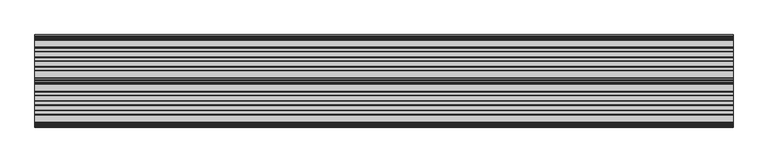
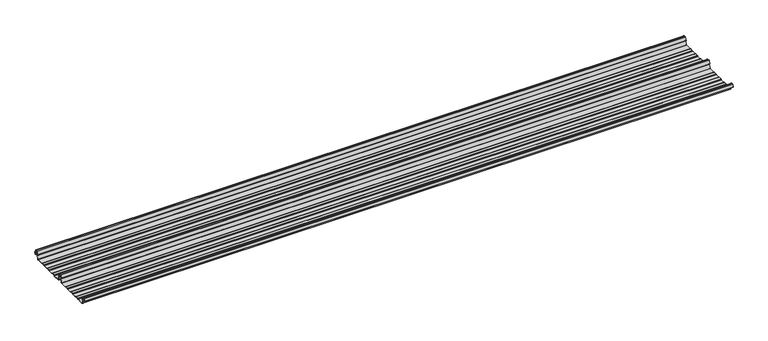
"""IFC4 building model written with IfcOpenShell, lengths in millimetres: beam geometry."""

from ifc_helpers import new_model, si_unit, point, frame, frame_2d, origin, place, context, project, spatial, polyline, circle_curve, trimmed, segment, composite_curve, outline, extrude, source, transform, mapped, element, save


def beam_9e3f758d(model_context):
    return source(origin(), model_context, "Body", "SweptSolid", [
        extrude(outline(composite_curve([segment(trimmed(circle_curve(frame_2d((-231.1362436, -24.0396475)), 1.75), [point((-231.1362436, -25.7896475))], [point((-232.7807057, -24.6381827))], False, "CARTESIAN"), True, "CONTINUOUS"), segment(polyline([(-232.7807057, -24.6381827), (-241.6888002, -2.1633943)]), True, "CONTINUOUS"), segment(trimmed(circle_curve(frame_2d((-240.0443381, -1.5648591)), 1.75), [point((-241.6888002, -2.1633943))], [point((-240.4972714, 0.1255111))], False, "CARTESIAN"), True, "CONTINUOUS"), segment(polyline([(-240.4972714, 0.1255111), (-237.8419476, 0.837003)]), True, "CONTINUOUS"), segment(trimmed(circle_curve(frame_2d((-238.1654714, 2.0444103)), 1.25), [point((-237.8419476, 0.837003))], [point((-236.9908556, 2.4719355))], True, "CARTESIAN"), True, "CONTINUOUS"), segment(polyline([(-236.9908556, 2.4719355), (-243.8110817, 21.2103525), (-250.0, 21.2103525), (-256.1889183, 21.2103525), (-263.0091444, 2.4719355)]), True, "CONTINUOUS"), segment(trimmed(circle_curve(frame_2d((-261.8345286, 2.0444103)), 1.25), [point((-263.0091444, 2.4719355))], [point((-262.1580524, 0.837003))], True, "CARTESIAN"), True, "CONTINUOUS"), segment(polyline([(-262.1580524, 0.837003), (-259.5027286, 0.1255111)]), True, "CONTINUOUS"), segment(trimmed(circle_curve(frame_2d((-259.9556619, -1.5648591)), 1.75), [point((-259.5027286, 0.1255111))], [point((-258.3111998, -2.1633943))], False, "CARTESIAN"), True, "CONTINUOUS"), segment(polyline([(-258.3111998, -2.1633943), (-267.2192943, -24.6381827)]), True, "CONTINUOUS"), segment(trimmed(circle_curve(frame_2d((-268.8637564, -24.0396475)), 1.75), [point((-267.2192943, -24.6381827))], [point((-268.8637564, -25.7896475))], False, "CARTESIAN"), True, "CONTINUOUS"), segment(polyline([(-268.8637564, -25.7896475), (-307.3786797, -25.7896475)]), True, "CONTINUOUS"), segment(trimmed(circle_curve(frame_2d((-307.3786797, -24.0396475)), 1.75), [point((-307.3786797, -25.7896475))], [point((-308.6161165, -25.2770843))], False, "CARTESIAN"), True, "CONTINUOUS"), segment(polyline([(-308.6161165, -25.2770843), (-310.7788845, -23.1143163)]), True, "CONTINUOUS"), segment(trimmed(circle_curve(frame_2d((-311.5627045, -23.8981363)), 1.1084889), [point((-310.7788845, -23.1143163))], [point((-311.5627045, -22.7896475))], True, "CARTESIAN"), True, "CONTINUOUS"), segment(polyline([(-311.5627045, -22.7896475), (-330.4372955, -22.7896475)]), True, "CONTINUOUS"), segment(trimmed(circle_curve(frame_2d((-330.4372955, -23.8981363)), 1.1084889), [point((-330.4372955, -22.7896475))], [point((-331.2211155, -23.1143163))], True, "CARTESIAN"), True, "CONTINUOUS"), segment(polyline([(-331.2211155, -23.1143163), (-333.3838835, -25.2770843)]), True, "CONTINUOUS"), segment(trimmed(circle_curve(frame_2d((-334.6213203, -24.0396475)), 1.75), [point((-333.3838835, -25.2770843))], [point((-334.6213203, -25.7896475))], False, "CARTESIAN"), True, "CONTINUOUS"), segment(polyline([(-334.6213203, -25.7896475), (-361.3786797, -25.7896475)]), True, "CONTINUOUS"), segment(trimmed(circle_curve(frame_2d((-361.3786797, -24.0396475)), 1.75), [point((-361.3786797, -25.7896475))], [point((-362.6161165, -25.2770843))], False, "CARTESIAN"), True, "CONTINUOUS"), segment(polyline([(-362.6161165, -25.2770843), (-364.7788845, -23.1143163)]), True, "CONTINUOUS"), segment(trimmed(circle_curve(frame_2d((-365.5627045, -23.8981363)), 1.1084889), [point((-364.7788845, -23.1143163))], [point((-365.5627045, -22.7896475))], True, "CARTESIAN"), True, "CONTINUOUS"), segment(polyline([(-365.5627045, -22.7896475), (-384.4372955, -22.7896475)]), True, "CONTINUOUS"), segment(trimmed(circle_curve(frame_2d((-384.4372955, -23.8981363)), 1.1084889), [point((-384.4372955, -22.7896475))], [point((-385.2211155, -23.1143163))], True, "CARTESIAN"), True, "CONTINUOUS"), segment(polyline([(-385.2211155, -23.1143163), (-387.3838835, -25.2770843)]), True, "CONTINUOUS"), segment(trimmed(circle_curve(frame_2d((-388.6213203, -24.0396475)), 1.75), [point((-387.3838835, -25.2770843))], [point((-388.6213203, -25.7896475))], False, "CARTESIAN"), True, "CONTINUOUS"), segment(polyline([(-388.6213203, -25.7896475), (-415.3786797, -25.7896475)]), True, "CONTINUOUS"), segment(trimmed(circle_curve(frame_2d((-415.3786797, -24.0396475)), 1.75), [point((-415.3786797, -25.7896475))], [point((-416.6161165, -25.2770843))], False, "CARTESIAN"), True, "CONTINUOUS"), segment(polyline([(-416.6161165, -25.2770843), (-418.7788845, -23.1143163)]), True, "CONTINUOUS"), segment(trimmed(circle_curve(frame_2d((-419.5627045, -23.8981363)), 1.1084889), [point((-418.7788845, -23.1143163))], [point((-419.5627045, -22.7896475))], True, "CARTESIAN"), True, "CONTINUOUS"), segment(polyline([(-419.5627045, -22.7896475), (-438.4372955, -22.7896475)]), True, "CONTINUOUS"), segment(trimmed(circle_curve(frame_2d((-438.4372955, -23.8981363)), 1.1084889), [point((-438.4372955, -22.7896475))], [point((-439.2211155, -23.1143163))], True, "CARTESIAN"), True, "CONTINUOUS"), segment(polyline([(-439.2211155, -23.1143163), (-441.3838835, -25.2770843)]), True, "CONTINUOUS"), segment(trimmed(circle_curve(frame_2d((-442.6213203, -24.0396475)), 1.75), [point((-441.3838835, -25.2770843))], [point((-442.6213203, -25.7896475))], False, "CARTESIAN"), True, "CONTINUOUS"), segment(polyline([(-442.6213203, -25.7896475), (-483.287616, -25.7896475)]), True, "CONTINUOUS"), segment(trimmed(circle_curve(frame_2d((-483.287616, -24.0396475)), 1.75), [point((-483.287616, -25.7896475))], [point((-484.8955882, -24.7302452))], False, "CARTESIAN"), True, "CONTINUOUS"), segment(polyline([(-484.8955882, -24.7302452), (-493.5565428, -2.8789816)]), True, "CONTINUOUS"), segment(trimmed(circle_curve(frame_2d((-490.0443381, -1.5648591)), 3.75), [point((-493.5565428, -2.8789816))], [point((-490.3464639, 2.1729504))], False, "CARTESIAN"), True, "CONTINUOUS"), segment(trimmed(circle_curve(frame_2d((-490.426413, 3.162057)), 0.9923325), [point((-490.3464639, 2.1729504))], [point((-489.4939255, 3.5014547))], True, "CARTESIAN"), True, "CONTINUOUS"), segment(polyline([(-489.4939255, 3.5014547), (-494.9720116, 18.5523727)]), True, "CONTINUOUS"), segment(trimmed(circle_curve(frame_2d((-495.9117043, 18.2103525)), 1.0), [point((-494.9720116, 18.5523727))], [point((-495.9117043, 19.2103525))], True, "CARTESIAN"), True, "CONTINUOUS"), segment(polyline([(-495.9117043, 19.2103525), (-504.0882957, 19.2103525)]), True, "CONTINUOUS"), segment(trimmed(circle_curve(frame_2d((-504.0882957, 18.2103525)), 1.0), [point((-504.0882957, 19.2103525))], [point((-505.0279884, 18.5523727))], True, "CARTESIAN"), True, "CONTINUOUS"), segment(polyline([(-505.0279884, 18.5523727), (-510.4799156, 3.5733257)]), True, "CONTINUOUS"), segment(trimmed(circle_curve(frame_2d((-510.9497619, 3.7443357)), 0.5), [point((-510.4799156, 3.5733257))], [point((-511.4196082, 3.9153458))], False, "CARTESIAN"), True, "CONTINUOUS"), segment(polyline([(-511.4196082, 3.9153458), (-505.967681, 18.8943928)]), True, "CONTINUOUS"), segment(trimmed(circle_curve(frame_2d((-504.0882957, 18.2103525)), 2.0), [point((-505.967681, 18.8943928))], [point((-504.0882957, 20.2103525))], False, "CARTESIAN"), True, "CONTINUOUS"), segment(polyline([(-504.0882957, 20.2103525), (-495.9117043, 20.2103525)]), True, "CONTINUOUS"), segment(trimmed(circle_curve(frame_2d((-495.9117043, 18.2103525)), 2.0), [point((-495.9117043, 20.2103525))], [point((-494.032319, 18.8943928))], False, "CARTESIAN"), True, "CONTINUOUS"), segment(polyline([(-494.032319, 18.8943928), (-488.5542329, 3.8434749)]), True, "CONTINUOUS"), segment(trimmed(circle_curve(frame_2d((-490.426413, 3.162057)), 1.9923325), [point((-488.5542329, 3.8434749))], [point((-490.265897, 1.1762012))], False, "CARTESIAN"), True, "CONTINUOUS"), segment(trimmed(circle_curve(frame_2d((-490.0443381, -1.5648591)), 2.75), [point((-490.265897, 1.1762012))], [point((-492.6230664, -2.5201915))], True, "CARTESIAN"), True, "CONTINUOUS"), segment(polyline([(-492.6230664, -2.5201915), (-483.9722515, -24.3458733)]), True, "CONTINUOUS"), segment(trimmed(circle_curve(frame_2d((-483.287616, -24.0396475)), 0.75), [point((-483.9722515, -24.3458733))], [point((-483.287616, -24.7896475))], True, "CARTESIAN"), True, "CONTINUOUS"), segment(polyline([(-483.287616, -24.7896475), (-442.7420401, -24.7896475)]), True, "CONTINUOUS"), segment(trimmed(circle_curve(frame_2d((-442.7420401, -23.7482041)), 1.0414433), [point((-442.7420401, -24.7896475))], [point((-442.0056285, -24.4846158))], True, "CARTESIAN"), True, "CONTINUOUS"), segment(polyline([(-442.0056285, -24.4846158), (-439.9696699, -22.4486572)]), True, "CONTINUOUS"), segment(trimmed(circle_curve(frame_2d((-438.3786797, -24.0396475)), 2.25), [point((-439.9696699, -22.4486572))], [point((-438.3786797, -21.7896475))], False, "CARTESIAN"), True, "CONTINUOUS"), segment(polyline([(-438.3786797, -21.7896475), (-419.6213203, -21.7896475)]), True, "CONTINUOUS"), segment(trimmed(circle_curve(frame_2d((-419.6213203, -24.0396475)), 2.25), [point((-419.6213203, -21.7896475))], [point((-418.0303301, -22.4486572))], False, "CARTESIAN"), True, "CONTINUOUS"), segment(polyline([(-418.0303301, -22.4486572), (-415.9943715, -24.4846158)]), True, "CONTINUOUS"), segment(trimmed(circle_curve(frame_2d((-415.2579599, -23.7482041)), 1.0414433), [point((-415.9943715, -24.4846158))], [point((-415.2579599, -24.7896475))], True, "CARTESIAN"), True, "CONTINUOUS"), segment(polyline([(-415.2579599, -24.7896475), (-388.7420401, -24.7896475)]), True, "CONTINUOUS"), segment(trimmed(circle_curve(frame_2d((-388.7420401, -23.7482041)), 1.0414433), [point((-388.7420401, -24.7896475))], [point((-388.0056285, -24.4846158))], True, "CARTESIAN"), True, "CONTINUOUS"), segment(polyline([(-388.0056285, -24.4846158), (-385.9696699, -22.4486572)]), True, "CONTINUOUS"), segment(trimmed(circle_curve(frame_2d((-384.3786797, -24.0396475)), 2.25), [point((-385.9696699, -22.4486572))], [point((-384.3786797, -21.7896475))], False, "CARTESIAN"), True, "CONTINUOUS"), segment(polyline([(-384.3786797, -21.7896475), (-365.6213203, -21.7896475)]), True, "CONTINUOUS"), segment(trimmed(circle_curve(frame_2d((-365.6213203, -24.0396475)), 2.25), [point((-365.6213203, -21.7896475))], [point((-364.0303301, -22.4486572))], False, "CARTESIAN"), True, "CONTINUOUS"), segment(polyline([(-364.0303301, -22.4486572), (-361.9943715, -24.4846158)]), True, "CONTINUOUS"), segment(trimmed(circle_curve(frame_2d((-361.2579599, -23.7482041)), 1.0414433), [point((-361.9943715, -24.4846158))], [point((-361.2579599, -24.7896475))], True, "CARTESIAN"), True, "CONTINUOUS"), segment(polyline([(-361.2579599, -24.7896475), (-334.7420401, -24.7896475)]), True, "CONTINUOUS"), segment(trimmed(circle_curve(frame_2d((-334.7420401, -23.7482041)), 1.0414433), [point((-334.7420401, -24.7896475))], [point((-334.0056285, -24.4846158))], True, "CARTESIAN"), True, "CONTINUOUS"), segment(polyline([(-334.0056285, -24.4846158), (-331.9696699, -22.4486572)]), True, "CONTINUOUS"), segment(trimmed(circle_curve(frame_2d((-330.3786797, -24.0396475)), 2.25), [point((-331.9696699, -22.4486572))], [point((-330.3786797, -21.7896475))], False, "CARTESIAN"), True, "CONTINUOUS"), segment(polyline([(-330.3786797, -21.7896475), (-311.6213203, -21.7896475)]), True, "CONTINUOUS"), segment(trimmed(circle_curve(frame_2d((-311.6213203, -24.0396475)), 2.25), [point((-311.6213203, -21.7896475))], [point((-310.0303301, -22.4486572))], False, "CARTESIAN"), True, "CONTINUOUS"), segment(polyline([(-310.0303301, -22.4486572), (-307.9943715, -24.4846158)]), True, "CONTINUOUS"), segment(trimmed(circle_curve(frame_2d((-307.2579599, -23.7482041)), 1.0414433), [point((-307.9943715, -24.4846158))], [point((-307.2579599, -24.7896475))], True, "CARTESIAN"), True, "CONTINUOUS"), segment(polyline([(-307.2579599, -24.7896475), (-268.8637564, -24.7896475)]), True, "CONTINUOUS"), segment(trimmed(circle_curve(frame_2d((-268.8637564, -24.0396475)), 0.75), [point((-268.8637564, -24.7896475))], [point((-268.1552359, -24.2856122))], True, "CARTESIAN"), True, "CONTINUOUS"), segment(polyline([(-268.1552359, -24.2856122), (-259.2471414, -1.8108238)]), True, "CONTINUOUS"), segment(trimmed(circle_curve(frame_2d((-259.9556619, -1.5648591)), 0.75), [point((-259.2471414, -1.8108238))], [point((-259.7615476, -0.8404147))], True, "CARTESIAN"), True, "CONTINUOUS"), segment(polyline([(-259.7615476, -0.8404147), (-262.4168715, -0.1289228)]), True, "CONTINUOUS"), segment(trimmed(circle_curve(frame_2d((-261.8345286, 2.0444103)), 2.25), [point((-262.4168715, -0.1289228))], [point((-263.948837, 2.8139556))], False, "CARTESIAN"), True, "CONTINUOUS"), segment(polyline([(-263.948837, 2.8139556), (-257.1273286, 21.5558959)]), True, "CONTINUOUS"), segment(trimmed(circle_curve(frame_2d((-256.1926676, 21.2157071)), 0.9946455), [point((-257.1273286, 21.5558959))], [point((-256.1926676, 22.2103525))], False, "CARTESIAN"), True, "CONTINUOUS"), segment(polyline([(-256.1926676, 22.2103525), (-250.0, 22.2103525), (-243.8073324, 22.2103525)]), True, "CONTINUOUS"), segment(trimmed(circle_curve(frame_2d((-243.8073324, 21.2157071)), 0.9946455), [point((-243.8073324, 22.2103525))], [point((-242.8726714, 21.5558959))], False, "CARTESIAN"), True, "CONTINUOUS"), segment(polyline([(-242.8726714, 21.5558959), (-236.051163, 2.8139556)]), True, "CONTINUOUS"), segment(trimmed(circle_curve(frame_2d((-238.1654714, 2.0444103)), 2.25), [point((-236.051163, 2.8139556))], [point((-237.5831285, -0.1289228))], False, "CARTESIAN"), True, "CONTINUOUS"), segment(polyline([(-237.5831285, -0.1289228), (-240.2384524, -0.8404147)]), True, "CONTINUOUS"), segment(trimmed(circle_curve(frame_2d((-240.0443381, -1.5648591)), 0.75), [point((-240.2384524, -0.8404147))], [point((-240.7528586, -1.8108238))], True, "CARTESIAN"), True, "CONTINUOUS"), segment(polyline([(-240.7528586, -1.8108238), (-231.8447641, -24.2856122)]), True, "CONTINUOUS"), segment(trimmed(circle_curve(frame_2d((-231.1362436, -24.0396475)), 0.75), [point((-231.8447641, -24.2856122))], [point((-231.1362436, -24.7896475))], True, "CARTESIAN"), True, "CONTINUOUS"), segment(polyline([(-231.1362436, -24.7896475), (-192.7420401, -24.7896475)]), True, "CONTINUOUS"), segment(trimmed(circle_curve(frame_2d((-192.7420401, -23.7482041)), 1.0414433), [point((-192.7420401, -24.7896475))], [point((-192.0056285, -24.4846158))], True, "CARTESIAN"), True, "CONTINUOUS"), segment(polyline([(-192.0056285, -24.4846158), (-189.9696699, -22.4486572)]), True, "CONTINUOUS"), segment(trimmed(circle_curve(frame_2d((-188.3786797, -24.0396475)), 2.25), [point((-189.9696699, -22.4486572))], [point((-188.3786797, -21.7896475))], False, "CARTESIAN"), True, "CONTINUOUS"), segment(polyline([(-188.3786797, -21.7896475), (-169.6213203, -21.7896475)]), True, "CONTINUOUS"), segment(trimmed(circle_curve(frame_2d((-169.6213203, -24.0396475)), 2.25), [point((-169.6213203, -21.7896475))], [point((-168.0303301, -22.4486572))], False, "CARTESIAN"), True, "CONTINUOUS"), segment(polyline([(-168.0303301, -22.4486572), (-165.9943715, -24.4846158)]), True, "CONTINUOUS"), segment(trimmed(circle_curve(frame_2d((-165.2579599, -23.7482041)), 1.0414433), [point((-165.9943715, -24.4846158))], [point((-165.2579599, -24.7896475))], True, "CARTESIAN"), True, "CONTINUOUS"), segment(polyline([(-165.2579599, -24.7896475), (-138.7420401, -24.7896475)]), True, "CONTINUOUS"), segment(trimmed(circle_curve(frame_2d((-138.7420401, -23.7482041)), 1.0414433), [point((-138.7420401, -24.7896475))], [point((-138.0056285, -24.4846158))], True, "CARTESIAN"), True, "CONTINUOUS"), segment(polyline([(-138.0056285, -24.4846158), (-135.9696699, -22.4486572)]), True, "CONTINUOUS"), segment(trimmed(circle_curve(frame_2d((-134.3786797, -24.0396475)), 2.25), [point((-135.9696699, -22.4486572))], [point((-134.3786797, -21.7896475))], False, "CARTESIAN"), True, "CONTINUOUS"), segment(polyline([(-134.3786797, -21.7896475), (-115.6213203, -21.7896475)]), True, "CONTINUOUS"), segment(trimmed(circle_curve(frame_2d((-115.6213203, -24.0396475)), 2.25), [point((-115.6213203, -21.7896475))], [point((-114.0303301, -22.4486572))], False, "CARTESIAN"), True, "CONTINUOUS"), segment(polyline([(-114.0303301, -22.4486572), (-111.9943715, -24.4846158)]), True, "CONTINUOUS"), segment(trimmed(circle_curve(frame_2d((-111.2579599, -23.7482041)), 1.0414433), [point((-111.9943715, -24.4846158))], [point((-111.2579599, -24.7896475))], True, "CARTESIAN"), True, "CONTINUOUS"), segment(polyline([(-111.2579599, -24.7896475), (-84.7420401, -24.7896475)]), True, "CONTINUOUS"), segment(trimmed(circle_curve(frame_2d((-84.7420401, -23.7482041)), 1.0414433), [point((-84.7420401, -24.7896475))], [point((-84.0056285, -24.4846158))], True, "CARTESIAN"), True, "CONTINUOUS"), segment(polyline([(-84.0056285, -24.4846158), (-81.9696699, -22.4486572)]), True, "CONTINUOUS"), segment(trimmed(circle_curve(frame_2d((-80.3786797, -24.0396475)), 2.25), [point((-81.9696699, -22.4486572))], [point((-80.3786797, -21.7896475))], False, "CARTESIAN"), True, "CONTINUOUS"), segment(polyline([(-80.3786797, -21.7896475), (-61.6213203, -21.7896475)]), True, "CONTINUOUS"), segment(trimmed(circle_curve(frame_2d((-61.6213203, -24.0396475)), 2.25), [point((-61.6213203, -21.7896475))], [point((-60.0303301, -22.4486572))], False, "CARTESIAN"), True, "CONTINUOUS"), segment(polyline([(-60.0303301, -22.4486572), (-57.9943715, -24.4846158)]), True, "CONTINUOUS"), segment(trimmed(circle_curve(frame_2d((-57.2579599, -23.7482041)), 1.0414433), [point((-57.9943715, -24.4846158))], [point((-57.2579599, -24.7896475))], True, "CARTESIAN"), True, "CONTINUOUS"), segment(polyline([(-57.2579599, -24.7896475), (-18.8637564, -24.7896475)]), True, "CONTINUOUS"), segment(trimmed(circle_curve(frame_2d((-18.8637564, -24.0396475)), 0.75), [point((-18.8637564, -24.7896475))], [point((-18.1552359, -24.2856122))], True, "CARTESIAN"), True, "CONTINUOUS"), segment(polyline([(-18.1552359, -24.2856122), (-9.2471414, -1.8108238)]), True, "CONTINUOUS"), segment(trimmed(circle_curve(frame_2d((-9.9556619, -1.5648591)), 0.75), [point((-9.2471414, -1.8108238))], [point((-9.7615476, -0.8404147))], True, "CARTESIAN"), True, "CONTINUOUS"), segment(polyline([(-9.7615476, -0.8404147), (-12.4168715, -0.1289228)]), True, "CONTINUOUS"), segment(trimmed(circle_curve(frame_2d((-11.8345286, 2.0444103)), 2.25), [point((-12.4168715, -0.1289228))], [point((-13.948837, 2.8139556))], False, "CARTESIAN"), True, "CONTINUOUS"), segment(polyline([(-13.948837, 2.8139556), (-7.1273286, 21.5558959)]), True, "CONTINUOUS"), segment(trimmed(circle_curve(frame_2d((-6.1926676, 21.2157071)), 0.9946455), [point((-7.1273286, 21.5558959))], [point((-6.1926676, 22.2103525))], False, "CARTESIAN"), True, "CONTINUOUS"), segment(polyline([(-6.1926676, 22.2103525), (0.0, 22.2103525), (6.1926676, 22.2103525)]), True, "CONTINUOUS"), segment(trimmed(circle_curve(frame_2d((6.1926676, 21.2157071)), 0.9946455), [point((6.1926676, 22.2103525))], [point((7.1273286, 21.5558959))], False, "CARTESIAN"), True, "CONTINUOUS"), segment(polyline([(7.1273286, 21.5558959), (13.948837, 2.8139556)]), True, "CONTINUOUS"), segment(trimmed(circle_curve(frame_2d((11.8345286, 2.0444103)), 2.25), [point((13.948837, 2.8139556))], [point((12.4168715, -0.1289228))], False, "CARTESIAN"), True, "CONTINUOUS"), segment(polyline([(12.4168715, -0.1289228), (9.7615476, -0.8404147)]), True, "CONTINUOUS"), segment(trimmed(circle_curve(frame_2d((9.9556619, -1.5648591)), 0.75), [point((9.7615476, -0.8404147))], [point((9.2471414, -1.8108238))], True, "CARTESIAN"), True, "CONTINUOUS"), segment(polyline([(9.2471414, -1.8108238), (12.5127954, -10.0499465)]), True, "CONTINUOUS"), segment(trimmed(circle_curve(frame_2d((12.0479758, -10.2341821)), 0.5), [point((12.5127954, -10.0499465))], [point((11.5831563, -10.4184177))], False, "CARTESIAN"), True, "CONTINUOUS"), segment(polyline([(11.5831563, -10.4184177), (8.3111998, -2.1633943)]), True, "CONTINUOUS"), segment(trimmed(circle_curve(frame_2d((9.9556619, -1.5648591)), 1.75), [point((8.3111998, -2.1633943))], [point((9.5027286, 0.1255111))], False, "CARTESIAN"), True, "CONTINUOUS"), segment(polyline([(9.5027286, 0.1255111), (12.1580524, 0.837003)]), True, "CONTINUOUS"), segment(trimmed(circle_curve(frame_2d((11.8345286, 2.0444103)), 1.25), [point((12.1580524, 0.837003))], [point((13.0091444, 2.4719355))], True, "CARTESIAN"), True, "CONTINUOUS"), segment(polyline([(13.0091444, 2.4719355), (6.1889183, 21.2103525), (0.0, 21.2103525), (-6.1889183, 21.2103525), (-13.0091444, 2.4719355)]), True, "CONTINUOUS"), segment(trimmed(circle_curve(frame_2d((-11.8345286, 2.0444103)), 1.25), [point((-13.0091444, 2.4719355))], [point((-12.1580524, 0.837003))], True, "CARTESIAN"), True, "CONTINUOUS"), segment(polyline([(-12.1580524, 0.837003), (-9.5027286, 0.1255111)]), True, "CONTINUOUS"), segment(trimmed(circle_curve(frame_2d((-9.9556619, -1.5648591)), 1.75), [point((-9.5027286, 0.1255111))], [point((-8.3111998, -2.1633943))], False, "CARTESIAN"), True, "CONTINUOUS"), segment(polyline([(-8.3111998, -2.1633943), (-17.2192943, -24.6381827)]), True, "CONTINUOUS"), segment(trimmed(circle_curve(frame_2d((-18.8637564, -24.0396475)), 1.75), [point((-17.2192943, -24.6381827))], [point((-18.8637564, -25.7896475))], False, "CARTESIAN"), True, "CONTINUOUS"), segment(polyline([(-18.8637564, -25.7896475), (-57.3786797, -25.7896475)]), True, "CONTINUOUS"), segment(trimmed(circle_curve(frame_2d((-57.3786797, -24.0396475)), 1.75), [point((-57.3786797, -25.7896475))], [point((-58.6161165, -25.2770843))], False, "CARTESIAN"), True, "CONTINUOUS"), segment(polyline([(-58.6161165, -25.2770843), (-60.7788845, -23.1143163)]), True, "CONTINUOUS"), segment(trimmed(circle_curve(frame_2d((-61.5627045, -23.8981363)), 1.1084889), [point((-60.7788845, -23.1143163))], [point((-61.5627045, -22.7896475))], True, "CARTESIAN"), True, "CONTINUOUS"), segment(polyline([(-61.5627045, -22.7896475), (-80.4372955, -22.7896475)]), True, "CONTINUOUS"), segment(trimmed(circle_curve(frame_2d((-80.4372955, -23.8981363)), 1.1084889), [point((-80.4372955, -22.7896475))], [point((-81.2211155, -23.1143163))], True, "CARTESIAN"), True, "CONTINUOUS"), segment(polyline([(-81.2211155, -23.1143163), (-83.3838835, -25.2770843)]), True, "CONTINUOUS"), segment(trimmed(circle_curve(frame_2d((-84.6213203, -24.0396475)), 1.75), [point((-83.3838835, -25.2770843))], [point((-84.6213203, -25.7896475))], False, "CARTESIAN"), True, "CONTINUOUS"), segment(polyline([(-84.6213203, -25.7896475), (-111.3786797, -25.7896475)]), True, "CONTINUOUS"), segment(trimmed(circle_curve(frame_2d((-111.3786797, -24.0396475)), 1.75), [point((-111.3786797, -25.7896475))], [point((-112.6161165, -25.2770843))], False, "CARTESIAN"), True, "CONTINUOUS"), segment(polyline([(-112.6161165, -25.2770843), (-114.7788845, -23.1143163)]), True, "CONTINUOUS"), segment(trimmed(circle_curve(frame_2d((-115.5627045, -23.8981363)), 1.1084889), [point((-114.7788845, -23.1143163))], [point((-115.5627045, -22.7896475))], True, "CARTESIAN"), True, "CONTINUOUS"), segment(polyline([(-115.5627045, -22.7896475), (-134.4372955, -22.7896475)]), True, "CONTINUOUS"), segment(trimmed(circle_curve(frame_2d((-134.4372955, -23.8981363)), 1.1084889), [point((-134.4372955, -22.7896475))], [point((-135.2211155, -23.1143163))], True, "CARTESIAN"), True, "CONTINUOUS"), segment(polyline([(-135.2211155, -23.1143163), (-137.3838835, -25.2770843)]), True, "CONTINUOUS"), segment(trimmed(circle_curve(frame_2d((-138.6213203, -24.0396475)), 1.75), [point((-137.3838835, -25.2770843))], [point((-138.6213203, -25.7896475))], False, "CARTESIAN"), True, "CONTINUOUS"), segment(polyline([(-138.6213203, -25.7896475), (-165.3786797, -25.7896475)]), True, "CONTINUOUS"), segment(trimmed(circle_curve(frame_2d((-165.3786797, -24.0396475)), 1.75), [point((-165.3786797, -25.7896475))], [point((-166.6161165, -25.2770843))], False, "CARTESIAN"), True, "CONTINUOUS"), segment(polyline([(-166.6161165, -25.2770843), (-168.7788845, -23.1143163)]), True, "CONTINUOUS"), segment(trimmed(circle_curve(frame_2d((-169.5627045, -23.8981363)), 1.1084889), [point((-168.7788845, -23.1143163))], [point((-169.5627045, -22.7896475))], True, "CARTESIAN"), True, "CONTINUOUS"), segment(polyline([(-169.5627045, -22.7896475), (-188.4372955, -22.7896475)]), True, "CONTINUOUS"), segment(trimmed(circle_curve(frame_2d((-188.4372955, -23.8981363)), 1.1084889), [point((-188.4372955, -22.7896475))], [point((-189.2211155, -23.1143163))], True, "CARTESIAN"), True, "CONTINUOUS"), segment(polyline([(-189.2211155, -23.1143163), (-191.3838835, -25.2770843)]), True, "CONTINUOUS"), segment(trimmed(circle_curve(frame_2d((-192.6213203, -24.0396475)), 1.75), [point((-191.3838835, -25.2770843))], [point((-192.6213203, -25.7896475))], False, "CARTESIAN"), True, "CONTINUOUS"), segment(polyline([(-192.6213203, -25.7896475), (-231.1362436, -25.7896475)]), True, "CONTINUOUS")], self_intersect=False)), frame((-1980.4570112, 0.0, 0.0), z_axis=(1.0, 0.0, 0.0), x_axis=(0.0, 1.0, 0.0)), (0.0, 0.0, 1.0), 3960.9140224),
    ])


if __name__ == "__main__":
    model = new_model("IFC4")
    model_context = context("Model", 3, world=origin())
    ifc_project = project(units=[si_unit("LENGTHUNIT", "METRE", prefix="MILLI")], contexts=[model_context])
    site = spatial("IfcSite", under=ifc_project)
    building = spatial("IfcBuilding", under=site)
    placement = place(None, origin())
    beam_shape = beam_9e3f758d(model_context)
    element("IfcBeam", 1, at=placement, inside=building, context=model_context, shape_type="MappedRepresentation", body=[
        mapped(beam_shape, transform((0.0, 0.0, 0.0), x_axis=(1.0, 0.0, 0.0), y_axis=(0.0, 1.0, 0.0), z_axis=(0.0, 0.0, 1.0))),
    ])
    save(model, "model.ifc")
